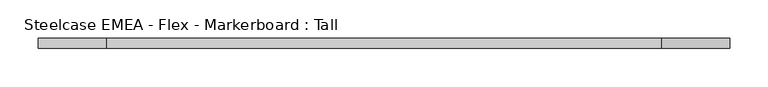
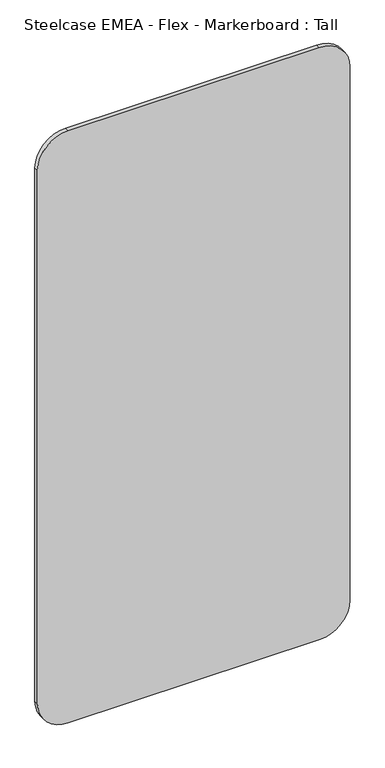
"""IFC4 building model written with IfcOpenShell, lengths in millimetres: furniture geometry, Steelcase EMEA - Flex - Markerboard : Tall."""

from ifc_helpers import new_model, si_unit, point, frame, frame_2d, origin, place, context, project, spatial, polyline, circle_curve, trimmed, segment, composite_curve, outline, extrude, source, transform, mapped, element, save


def steelcase_emea_flex_markerboard_tall_821d46c1(model_context):
    return source(origin(), model_context, "Body", "SweptSolid", [
        extrude(outline(composite_curve([segment(polyline([(1800.0, 811.1), (1800.0, 88.9)]), True, "CONTINUOUS"), segment(trimmed(circle_curve(frame_2d((1711.1, 88.9)), 88.9), [point((1800.0, 88.9))], [point((1711.1, 0.0))], False, "CARTESIAN"), True, "CONTINUOUS"), segment(polyline([(1711.1, 0.0), (88.9, 0.0)]), True, "CONTINUOUS"), segment(trimmed(circle_curve(frame_2d((88.9, 88.9)), 88.9), [point((88.9, 0.0))], [point((0.0, 88.9))], False, "CARTESIAN"), True, "CONTINUOUS"), segment(polyline([(0.0, 88.9), (0.0, 811.1)]), True, "CONTINUOUS"), segment(trimmed(circle_curve(frame_2d((88.9, 811.1)), 88.9), [point((0.0, 811.1))], [point((88.9, 900.0))], False, "CARTESIAN"), True, "CONTINUOUS"), segment(polyline([(88.9, 900.0), (1711.1, 900.0)]), True, "CONTINUOUS"), segment(trimmed(circle_curve(frame_2d((1711.1, 811.1)), 88.9), [point((1711.1, 900.0))], [point((1800.0, 811.1))], False, "CARTESIAN"), True, "CONTINUOUS")], self_intersect=False)), frame((0.0, -12.6929538, 0.0), z_axis=(0.0, 1.0, 0.0), x_axis=(0.0, 0.0, 1.0)), (0.0, 0.0, 1.0), 12.6929538),
    ])


if __name__ == "__main__":
    model = new_model("IFC4")
    model_context = context("Model", 3, world=origin())
    ifc_project = project(units=[si_unit("LENGTHUNIT", "METRE", prefix="MILLI")], contexts=[model_context])
    site = spatial("IfcSite", under=ifc_project)
    building = spatial("IfcBuilding", under=site)
    placement = place(None, origin())
    steelcase_emea_flex_markerboard_tall_shape = steelcase_emea_flex_markerboard_tall_821d46c1(model_context)
    element("IfcFurniture", 1, ObjectType="Steelcase EMEA - Flex - Markerboard : Tall", at=placement, inside=building, context=model_context, shape_type="MappedRepresentation", body=[
        mapped(steelcase_emea_flex_markerboard_tall_shape, transform((0.0, 0.0, 0.0), x_axis=(1.0, 0.0, 0.0), y_axis=(0.0, 1.0, 0.0), z_axis=(0.0, 0.0, 1.0))),
    ])
    save(model, "model.ifc")
